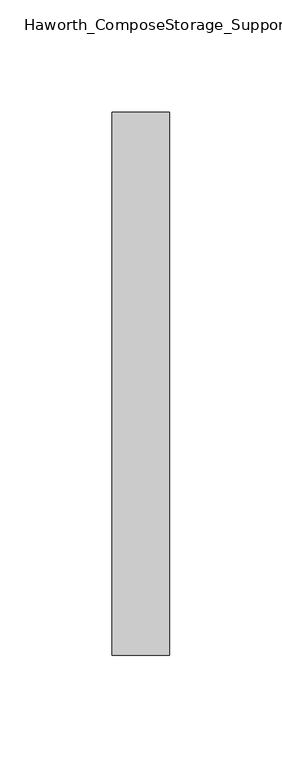
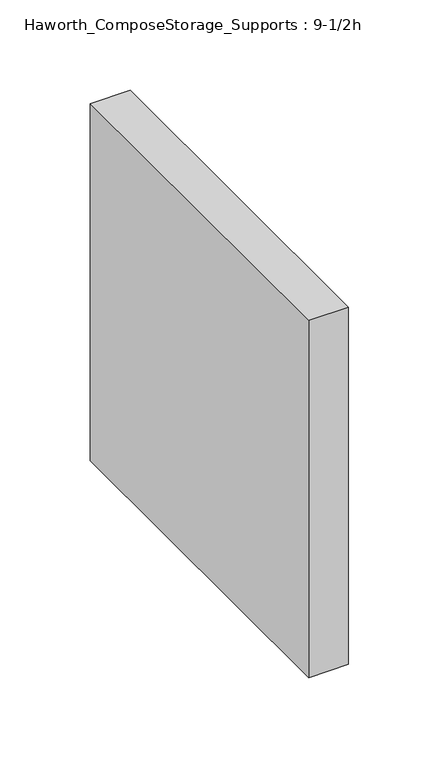
"""IFC4 building model written with IfcOpenShell, lengths in millimetres: furniture geometry, Haworth_ComposeStorage_Supports : 9-1/2h."""

from ifc_helpers import new_model, si_unit, origin, origin_with_axes, place, context, project, spatial, polyline, outline, extrude, source, transform, mapped, element, save


def haworth_composestorage_supports_9_1_2h_bf27a6d7(model_context):
    return source(origin(), model_context, "Body", "SweptSolid", [
        extrude(outline(polyline([(177.8, -82.55), (177.8, -323.85), (152.4, -323.85), (152.4, -82.55), (177.8, -82.55)])), origin_with_axes(), (0.0, 0.0, 1.0), 241.3),
    ])


if __name__ == "__main__":
    model = new_model("IFC4")
    model_context = context("Model", 3, world=origin())
    ifc_project = project(units=[si_unit("LENGTHUNIT", "METRE", prefix="MILLI")], contexts=[model_context])
    site = spatial("IfcSite", under=ifc_project)
    building = spatial("IfcBuilding", under=site)
    placement = place(None, origin())
    haworth_composestorage_supports_9_1_2h_shape = haworth_composestorage_supports_9_1_2h_bf27a6d7(model_context)
    element("IfcFurniture", 1, ObjectType="Haworth_ComposeStorage_Supports : 9-1/2h", at=placement, inside=building, context=model_context, shape_type="MappedRepresentation", body=[
        mapped(haworth_composestorage_supports_9_1_2h_shape, transform((0.0, 0.0, 0.0), x_axis=(1.0, 0.0, 0.0), y_axis=(0.0, 1.0, 0.0), z_axis=(0.0, 0.0, 1.0))),
    ])
    save(model, "model.ifc")
